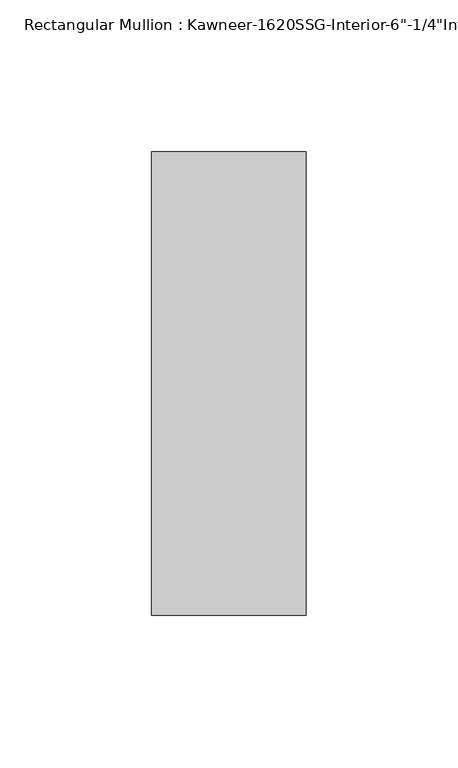
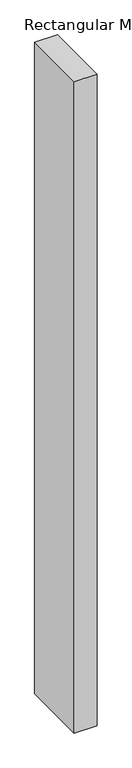
"""IFC4 building model written with IfcOpenShell, lengths in millimetres: member geometry."""

import ifcopenshell
import ifcopenshell.guid

model = None  # the IFC model being written
_history = None  # IfcOwnerHistory: only IFC2X3 demands one
_inside = {}  # id of a spatial element -> (the spatial element, [elements in it])
_under = {}  # id of a project, library or spatial element -> (it, [spatial elements below it])
_declared = {}  # id of a project -> (the project, [libraries it declares])
_typed = {}  # id of a type object -> (the type object, [elements of that type])
_made_of = {}  # id of a material, layer set ... -> (it, [elements and type objects made of it])


def new_model(schema):
    """Start an empty IFC model of exactly this schema.

    Asked for "IFC4X3", IfcOpenShell would pick the latest addendum, in which some entities
    have other attributes; the version numbers below select the first issue.
    IFC2X3 requires an IfcOwnerHistory on every rooted entity: one is made here for all.
    """
    global model, _history
    if schema == "IFC4X3":
        model = ifcopenshell.file(schema_version=(4, 3, 0, 0))
    else:
        model = ifcopenshell.file(schema=schema)
    _inside.clear()
    _under.clear()
    _declared.clear()
    _typed.clear()
    _made_of.clear()
    _history = None
    if model.schema == "IFC2X3":
        org = make("IfcOrganization", Name="unknown")
        user = make(
            "IfcPersonAndOrganization",
            ThePerson=make("IfcPerson", FamilyName="unknown"),
            TheOrganization=org,
        )
        app = make(
            "IfcApplication",
            ApplicationDeveloper=org,
            Version="unknown",
            ApplicationFullName="unknown",
            ApplicationIdentifier="unknown",
        )
        _history = make(
            "IfcOwnerHistory",
            OwningUser=user,
            OwningApplication=app,
            ChangeAction="ADDED",
            CreationDate=0,
        )
    return model


def make(cls, **values):
    """One entity of the class cls with the attributes given. An attribute that is None is left unset."""
    return model.create_entity(
        cls, **{name: value for name, value in values.items() if value is not None}
    )


def rooted(cls, **values):
    """An entity with a GlobalId (a new one), such as an element, a storey or a relation."""
    return make(cls, GlobalId=ifcopenshell.guid.new(), OwnerHistory=_history, **values)


def si_unit(unit_type, name, prefix=None):
    """IfcSIUnit, for example si_unit("LENGTHUNIT", "METRE", prefix="MILLI")."""
    return make("IfcSIUnit", UnitType=unit_type, Prefix=prefix, Name=name)


def assignment(units):
    """IfcUnitAssignment: the units of a project."""
    return None if units is None else make("IfcUnitAssignment", Units=units)


def point(xyz):
    """IfcCartesianPoint."""
    return None if xyz is None else make("IfcCartesianPoint", Coordinates=xyz)


def direction(xyz):
    """IfcDirection."""
    return None if xyz is None else make("IfcDirection", DirectionRatios=xyz)


def frame(location, z_axis=None, x_axis=None):
    """IfcAxis2Placement3D, a coordinate frame: its origin and axes. An axis left out is left unset."""
    return make(
        "IfcAxis2Placement3D",
        Location=point(location),
        Axis=direction(z_axis),
        RefDirection=direction(x_axis),
    )


def origin():
    """The frame at (0, 0, 0) with its axes left unset."""
    return frame((0.0, 0.0, 0.0))


def place(relative_to, where):
    """IfcLocalPlacement: puts the frame where relative to a parent placement (None: the world)."""
    return make(
        "IfcLocalPlacement", PlacementRelTo=relative_to, RelativePlacement=where
    )


def context(
    kind, dimensions, precision=None, world=None, true_north=None, identifier=None
):
    """IfcGeometricRepresentationContext, for example the 3D "Model" context."""
    return make(
        "IfcGeometricRepresentationContext",
        ContextIdentifier=identifier,
        ContextType=kind,
        CoordinateSpaceDimension=dimensions,
        Precision=precision,
        WorldCoordinateSystem=world,
        TrueNorth=true_north,
    )


def project(units=None, contexts=None):
    """IfcProject with its units and contexts."""
    return rooted(
        "IfcProject",
        Name="project",
        RepresentationContexts=contexts,
        UnitsInContext=assignment(units),
    )


def spatial(cls, under=None, at=None, **own):
    """A site, building, storey or space (cls), placed at a placement, below another one or the project."""
    s = rooted(cls, ObjectPlacement=at, **own)
    if under is not None:
        _under.setdefault(under.id(), (under, []))[1].append(s)
    return s


def polyline(points):
    """IfcPolyline through the points."""
    return make("IfcPolyline", Points=[point(p) for p in points])


def outline(outer, holes=None, kind="AREA"):
    """IfcArbitraryClosedProfileDef: a profile drawn as a closed curve; with holes, ...WithVoids."""
    if holes is None:
        return make("IfcArbitraryClosedProfileDef", ProfileType=kind, OuterCurve=outer)
    return make(
        "IfcArbitraryProfileDefWithVoids",
        ProfileType=kind,
        OuterCurve=outer,
        InnerCurves=holes,
    )


def extrude(swept, where, along, depth):
    """IfcExtrudedAreaSolid: the profile swept, set in the frame where, extruded along a direction by depth."""
    return make(
        "IfcExtrudedAreaSolid",
        SweptArea=swept,
        Position=where,
        ExtrudedDirection=direction(along),
        Depth=depth,
    )


def shape(context_of_items, identifier, shape_type, items):
    """IfcShapeRepresentation: the items that make up one representation, for example the "Body"."""
    return make(
        "IfcShapeRepresentation",
        ContextOfItems=context_of_items,
        RepresentationIdentifier=identifier,
        RepresentationType=shape_type,
        Items=items,
    )


def source(mapping_origin, context_of_items, identifier, shape_type, items):
    """IfcRepresentationMap: a shape defined once, which mapped items show again and again."""
    return make(
        "IfcRepresentationMap",
        MappingOrigin=mapping_origin,
        MappedRepresentation=shape(context_of_items, identifier, shape_type, items),
    )


def transform(
    local_origin,
    x_axis=None,
    y_axis=None,
    z_axis=None,
    scale=None,
    scale2=None,
    scale3=None,
    uniform=True,
):
    """IfcCartesianTransformationOperator3D, or its non-uniform kind. x_axis, y_axis, z_axis: its Axis1, 2, 3."""
    if uniform:
        return make(
            "IfcCartesianTransformationOperator3D",
            Axis1=direction(x_axis),
            Axis2=direction(y_axis),
            LocalOrigin=point(local_origin),
            Scale=scale,
            Axis3=direction(z_axis),
        )
    return make(
        "IfcCartesianTransformationOperator3DnonUniform",
        Axis1=direction(x_axis),
        Axis2=direction(y_axis),
        LocalOrigin=point(local_origin),
        Scale=scale,
        Axis3=direction(z_axis),
        Scale2=scale2,
        Scale3=scale3,
    )


def mapped(mapping_source, mapping_target):
    """IfcMappedItem: shows the shape of a source again, moved by a transform."""
    return make(
        "IfcMappedItem", MappingSource=mapping_source, MappingTarget=mapping_target
    )


def made_of(thing, what):
    """Note that an element or type object is made of a material, layer set ...; save() writes the relation."""
    if what is not None:
        _made_of.setdefault(what.id(), (what, []))[1].append(thing)
    return thing


def element(
    cls,
    number,
    at=None,
    inside=None,
    cuts=None,
    type_object=None,
    material=None,
    context=None,
    identifier="Body",
    shape_type=None,
    held_by="IfcProductDefinitionShape",
    body=None,
    shapes=None,
    **own,
):
    """One element of the class cls, such as IfcWall. Its Tag is "e" and its number.

    at: its placement. inside: the storey or other place that contains it. cuts: it is an
    opening in that element (IfcRelVoidsElement). A single representation is given by context,
    identifier, shape_type and body (its items); several are given by shapes. held_by: the class
    of the entity that holds the representations. save() writes the other relations.
    """
    e = rooted(cls, Tag="e%d" % number, ObjectPlacement=at, **own)
    if body is not None:
        shapes = [shape(context, identifier, shape_type, body)]
    if shapes is not None:
        e.Representation = make(held_by, Representations=shapes)
    if inside is not None:
        _inside.setdefault(inside.id(), (inside, []))[1].append(e)
    if cuts is not None:
        rooted(
            "IfcRelVoidsElement", RelatingBuildingElement=cuts, RelatedOpeningElement=e
        )
    if type_object is not None:
        _typed.setdefault(type_object.id(), (type_object, []))[1].append(e)
    return made_of(e, material)


def aggregate(whole, parts):
    """IfcRelAggregates: a whole, such as a stair, and the parts it consists of."""
    return rooted("IfcRelAggregates", RelatingObject=whole, RelatedObjects=parts)


def save(model, path):
    """Write the relations noted so far, then the file.

    IfcRelAggregates (storeys below a building ...), IfcRelContainedInSpatialStructure (elements
    in a storey), IfcRelDefinesByType, IfcRelAssociatesMaterial and IfcRelDeclares: one each for
    every whole, place, type object, material and project.
    """
    for whole, parts in _under.values():
        aggregate(whole, parts)
    for where, things in _inside.values():
        rooted(
            "IfcRelContainedInSpatialStructure",
            RelatedElements=things,
            RelatingStructure=where,
        )
    for kind, things in _typed.values():
        rooted("IfcRelDefinesByType", RelatedObjects=things, RelatingType=kind)
    for what, things in _made_of.values():
        rooted("IfcRelAssociatesMaterial", RelatedObjects=things, RelatingMaterial=what)
    for by, libraries in _declared.values():
        rooted("IfcRelDeclares", RelatingContext=by, RelatedDefinitions=libraries)
    model.write(path)


def member_71716f67(model_context):
    return source(origin(), model_context, "Body", "SweptSolid", [
        extrude(outline(polyline([(25.4, -123.825), (-25.4, -123.825), (-25.4, 28.575), (25.4, 28.575), (25.4, -123.825)])), frame((0.0, 0.0, -1531.3421875), z_axis=(0.0, 0.0, 1.0), x_axis=(1.0, 0.0, 0.0)), (0.0, 0.0, 1.0), 1531.3421875),
    ])


if __name__ == "__main__":
    model = new_model("IFC4")
    model_context = context("Model", 3, world=origin())
    ifc_project = project(units=[si_unit("LENGTHUNIT", "METRE", prefix="MILLI")], contexts=[model_context])
    site = spatial("IfcSite", under=ifc_project)
    building = spatial("IfcBuilding", under=site)
    placement = place(None, origin())
    member_shape = member_71716f67(model_context)
    element("IfcMember", 1, ObjectType="Rectangular Mullion : Kawneer-1620SSG-Interior-6\"-1/4\"Infill", at=placement, inside=building, context=model_context, shape_type="MappedRepresentation", body=[
        mapped(member_shape, transform((0.0, 0.0, 0.0), x_axis=(1.0, 0.0, 0.0), y_axis=(0.0, 1.0, 0.0), z_axis=(0.0, 0.0, 1.0))),
    ])
    save(model, "model.ifc")
